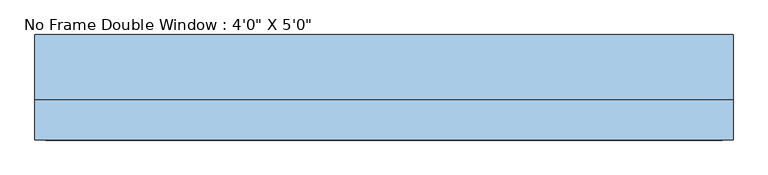
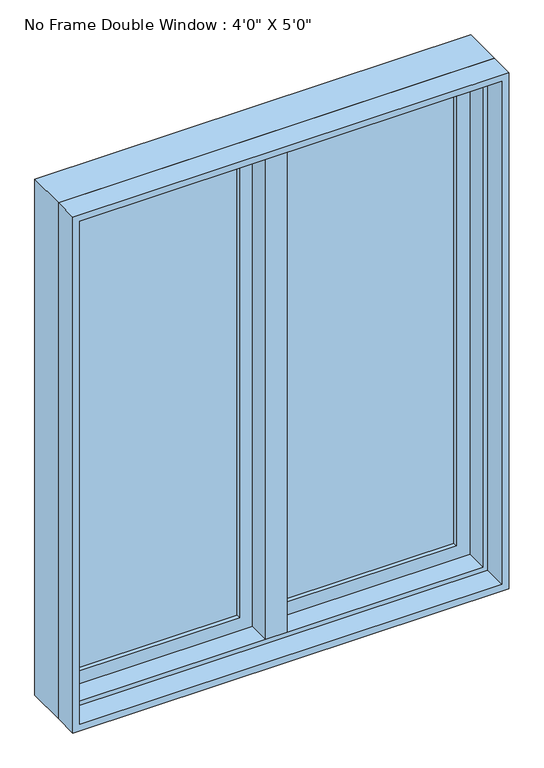
"""IFC4 building model written with IfcOpenShell, lengths in millimetres: window geometry."""

from ifc_helpers import new_model, si_unit, frame, origin, place, context, project, spatial, polyline, outline, extrude, faceted_brep, source, transform, mapped, element, save


def window_71d3d34b(model_context):
    return source(origin(), model_context, "Body", "SolidModel", [
        faceted_brep([(9.525, 101.6, 2425.7), (-9.525, 101.6, 2425.7), (-9.525, 50.8, 2425.7), (9.525, 50.8, 2425.7), (9.525, 101.6, 927.1), (9.525, 50.8, 927.1), (-9.525, 50.8, 927.1), (-9.525, 101.6, 927.1), (-9.525, 50.8, 946.15), (-9.525, 50.8, 2406.65), (-30.1625, 50.8, 946.15), (-30.1625, 50.8, 2406.65), (-30.1625, -12.7, 946.15), (-30.1625, -12.7, 2406.65), (30.1625, -12.7, 946.15), (30.1625, -12.7, 2406.65), (30.1625, 50.8, 946.15), (30.1625, 50.8, 2406.65), (9.525, 50.8, 946.15), (9.525, 50.8, 2406.65)], [[[0, 1, 2, 3]], [[4, 5, 6, 7]], [[1, 0, 4, 7]], [[2, 1, 7, 6, 8, 9]], [[9, 8, 10, 11]], [[11, 10, 12, 13]], [[13, 12, 14, 15]], [[15, 14, 16, 17]], [[17, 16, 18, 19]], [[0, 3, 19, 18, 5, 4]], [[18, 8, 6, 5]], [[9, 19, 3, 2]], [[8, 18, 16, 14, 12, 10]], [[19, 9, 11, 13, 15, 17]]]),
        extrude(outline(polyline([(-66.675, 82.55), (-66.675, 76.2), (-539.75, 76.2), (-539.75, 82.55), (-66.675, 82.55)])), frame((0.0, 0.0, 984.25), z_axis=(0.0, 0.0, 1.0), x_axis=(1.0, 0.0, 0.0)), (0.0, 0.0, 1.0), 1384.3),
        extrude(outline(polyline([(-539.75, 63.5), (-539.75, 69.85), (-66.675, 69.85), (-66.675, 63.5), (-539.75, 63.5)])), frame((0.0, 0.0, 984.25), z_axis=(0.0, 0.0, 1.0), x_axis=(1.0, 0.0, 0.0)), (0.0, 0.0, 1.0), 1384.3),
        extrude(outline(polyline([(539.75, 82.55), (539.75, 76.2), (66.675, 76.2), (66.675, 82.55), (539.75, 82.55)])), frame((0.0, 0.0, 984.25), z_axis=(0.0, 0.0, 1.0), x_axis=(1.0, 0.0, 0.0)), (0.0, 0.0, 1.0), 1384.3),
        extrude(outline(polyline([(66.675, 63.5), (66.675, 69.85), (539.75, 69.85), (539.75, 63.5), (66.675, 63.5)])), frame((0.0, 0.0, 984.25), z_axis=(0.0, 0.0, 1.0), x_axis=(1.0, 0.0, 0.0)), (0.0, 0.0, 1.0), 1384.3),
        extrude(outline(polyline([(2425.7, -596.9), (927.1, -596.9), (927.1, -9.525), (2425.7, -9.525), (2425.7, -596.9)]), holes=[polyline([(2368.55, -66.675), (984.25, -66.675), (984.25, -539.75), (2368.55, -539.75), (2368.55, -66.675)])]), frame((0.0, 50.8, 0.0), z_axis=(0.0, 1.0, 0.0), x_axis=(0.0, 0.0, 1.0)), (0.0, 0.0, 1.0), 44.45),
        extrude(outline(polyline([(927.1, 596.9), (2425.7, 596.9), (2425.7, 9.525), (927.1, 9.525), (927.1, 596.9)]), holes=[polyline([(984.25, 66.675), (2368.55, 66.675), (2368.55, 539.75), (984.25, 539.75), (984.25, 66.675)])]), frame((0.0, 50.8, 0.0), z_axis=(0.0, 1.0, 0.0), x_axis=(0.0, 0.0, 1.0)), (0.0, 0.0, 1.0), 44.45),
        extrude(outline(polyline([(2438.4, -609.6), (914.4, -609.6), (914.4, 609.6), (2438.4, 609.6), (2438.4, -609.6)]), holes=[polyline([(2419.35, 590.55), (933.45, 590.55), (933.45, -590.55), (2419.35, -590.55), (2419.35, 590.55)])]), frame((0.0, -82.55, 0.0), z_axis=(0.0, 1.0, 0.0), x_axis=(0.0, 0.0, 1.0)), (0.0, 0.0, 1.0), 69.85),
        faceted_brep([(577.85, 50.8, 2406.65), (577.85, -12.7, 2406.65), (-577.85, -12.7, 2406.65), (-577.85, 50.8, 2406.65), (596.9, 101.6, 2425.7), (596.9, 50.8, 2425.7), (-596.9, 50.8, 2425.7), (-596.9, 101.6, 2425.7), (609.6, -12.7, 2438.4), (609.6, 101.6, 2438.4), (-609.6, 101.6, 2438.4), (-609.6, -12.7, 2438.4), (-577.85, -12.7, 946.15), (-577.85, 50.8, 946.15), (-596.9, 50.8, 927.1), (-596.9, 101.6, 927.1), (-609.6, 101.6, 914.4), (-609.6, -12.7, 914.4), (577.85, -12.7, 946.15), (577.85, 50.8, 946.15), (596.9, 50.8, 927.1), (596.9, 101.6, 927.1), (609.6, 101.6, 914.4), (609.6, -12.7, 914.4)], [[[0, 1, 2, 3]], [[4, 5, 6, 7]], [[8, 9, 10, 11]], [[3, 2, 12, 13]], [[7, 6, 14, 15]], [[11, 10, 16, 17]], [[13, 12, 18, 19]], [[15, 14, 20, 21]], [[17, 16, 22, 23]], [[11, 17, 23, 8], [1, 18, 12, 2]], [[19, 18, 1, 0]], [[5, 20, 14, 6], [3, 13, 19, 0]], [[21, 20, 5, 4]], [[23, 22, 9, 8]], [[9, 22, 16, 10], [7, 15, 21, 4]]]),
    ])


if __name__ == "__main__":
    model = new_model("IFC4")
    model_context = context("Model", 3, world=origin())
    ifc_project = project(units=[si_unit("LENGTHUNIT", "METRE", prefix="MILLI")], contexts=[model_context])
    site = spatial("IfcSite", under=ifc_project)
    building = spatial("IfcBuilding", under=site)
    placement = place(None, origin())
    window_shape = window_71d3d34b(model_context)
    element("IfcWindow", 1, ObjectType="No Frame Double Window : 4'0\" X 5'0\"", at=placement, inside=building, context=model_context, shape_type="MappedRepresentation", body=[
        mapped(window_shape, transform((0.0, 0.0, 0.0), x_axis=(1.0, 0.0, 0.0), y_axis=(0.0, 1.0, 0.0), z_axis=(0.0, 0.0, 1.0))),
    ])
    save(model, "model.ifc")
